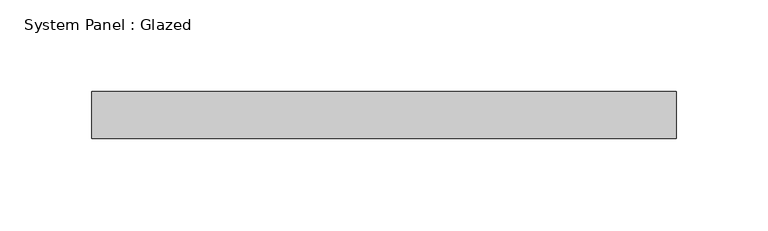
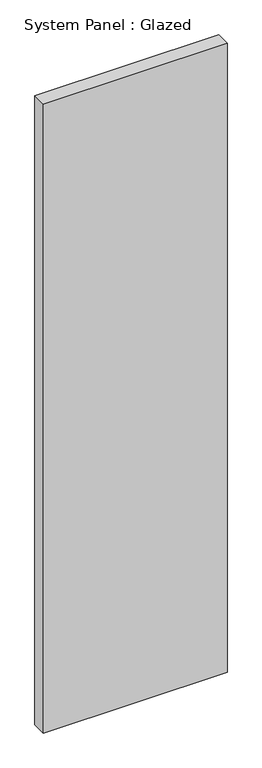
"""IFC4 building model written with IfcOpenShell, lengths in millimetres: plate geometry, System Panel : Glazed."""

from ifc_helpers import new_model, si_unit, origin, origin_with_axes, place, context, project, spatial, polyline, outline, extrude, source, transform, mapped, element, save


def system_panel_glazed_383a7ddb(model_context):
    return source(origin(), model_context, "Body", "SweptSolid", [
        extrude(outline(polyline([(158.75, -12.7), (-158.75, -12.7), (-158.75, 12.7), (158.75, 12.7), (158.75, -12.7)])), origin_with_axes(), (0.0, 0.0, 1.0), 1149.35),
    ])


if __name__ == "__main__":
    model = new_model("IFC4")
    model_context = context("Model", 3, world=origin())
    ifc_project = project(units=[si_unit("LENGTHUNIT", "METRE", prefix="MILLI")], contexts=[model_context])
    site = spatial("IfcSite", under=ifc_project)
    building = spatial("IfcBuilding", under=site)
    placement = place(None, origin())
    system_panel_glazed_shape = system_panel_glazed_383a7ddb(model_context)
    element("IfcPlate", 1, ObjectType="System Panel : Glazed", at=placement, inside=building, context=model_context, shape_type="MappedRepresentation", body=[
        mapped(system_panel_glazed_shape, transform((0.0, 0.0, 0.0), x_axis=(1.0, 0.0, 0.0), y_axis=(0.0, 1.0, 0.0), z_axis=(0.0, 0.0, 1.0))),
    ])
    save(model, "model.ifc")
